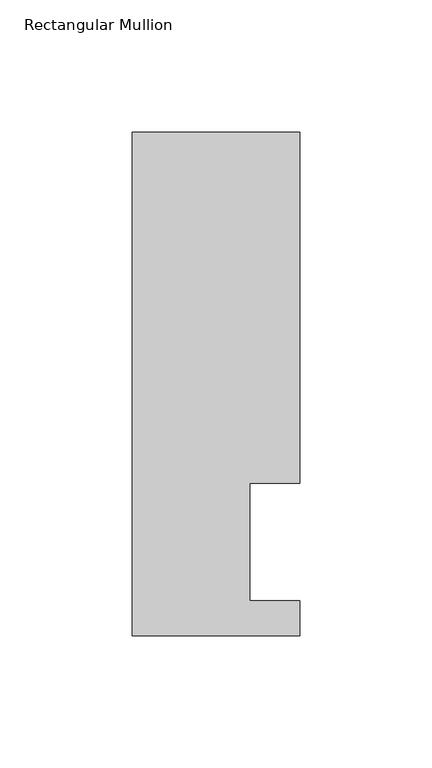
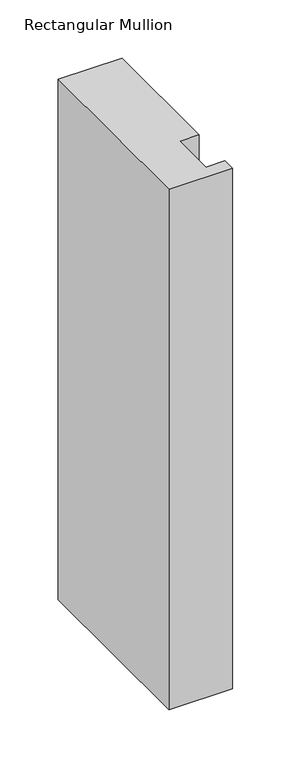
"""IFC4 building model written with IfcOpenShell, lengths in millimetres: member geometry, Rectangular Mullion."""

from ifc_helpers import new_model, si_unit, frame, origin, place, context, project, spatial, polyline, outline, extrude, source, transform, mapped, element, save


def rectangular_mullion_483e2b6c(model_context):
    return source(origin(), model_context, "Body", "SweptSolid", [
        extrude(outline(polyline([(-63.5, 0.0134937), (-63.5, 190.5896937), (0.0, 190.5896937), (0.0, 57.6460937), (-19.0373, 57.6460937), (-19.0373, 13.1960937), (0.0, 13.1960937), (0.0, 0.0134937), (-63.5, 0.0134937)])), frame((0.0, 0.0, -546.1), z_axis=(0.0, 0.0, 1.0), x_axis=(1.0, 0.0, 0.0)), (0.0, 0.0, 1.0), 546.1),
    ])


if __name__ == "__main__":
    model = new_model("IFC4")
    model_context = context("Model", 3, world=origin())
    ifc_project = project(units=[si_unit("LENGTHUNIT", "METRE", prefix="MILLI")], contexts=[model_context])
    site = spatial("IfcSite", under=ifc_project)
    building = spatial("IfcBuilding", under=site)
    placement = place(None, origin())
    rectangular_mullion_shape = rectangular_mullion_483e2b6c(model_context)
    element("IfcMember", 1, ObjectType="Rectangular Mullion", at=placement, inside=building, context=model_context, shape_type="MappedRepresentation", body=[
        mapped(rectangular_mullion_shape, transform((0.0, 0.0, 0.0), x_axis=(1.0, 0.0, 0.0), y_axis=(0.0, 1.0, 0.0), z_axis=(0.0, 0.0, 1.0))),
    ])
    save(model, "model.ifc")
